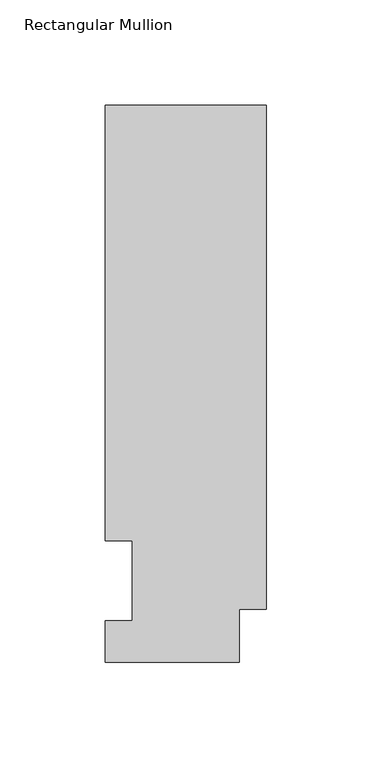
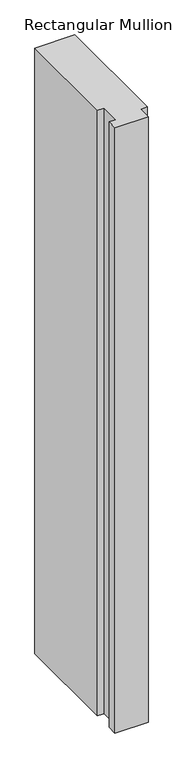
"""IFC4 building model written with IfcOpenShell, lengths in millimetres: member geometry, Rectangular Mullion."""

from ifc_helpers import new_model, si_unit, frame, origin, place, context, project, spatial, polyline, outline, extrude, source, transform, mapped, element, save


def rectangular_mullion_63044f50(model_context):
    return source(origin(), model_context, "Body", "SweptSolid", [
        extrude(outline(polyline([(-76.2, 264.0210938), (0.0, 264.0210938), (0.0, 25.0832937), (-12.7, 25.0832937), (-12.7, 0.0134938), (-76.2, 0.0134938), (-76.2, 19.5460937), (-63.5, 19.5460937), (-63.5, 57.6460937), (-76.2, 57.6460937), (-76.2, 264.0210938)])), frame((0.0, 0.0, -1219.2), z_axis=(0.0, 0.0, 1.0), x_axis=(1.0, 0.0, 0.0)), (0.0, 0.0, 1.0), 1219.2),
    ])


if __name__ == "__main__":
    model = new_model("IFC4")
    model_context = context("Model", 3, world=origin())
    ifc_project = project(units=[si_unit("LENGTHUNIT", "METRE", prefix="MILLI")], contexts=[model_context])
    site = spatial("IfcSite", under=ifc_project)
    building = spatial("IfcBuilding", under=site)
    placement = place(None, origin())
    rectangular_mullion_shape = rectangular_mullion_63044f50(model_context)
    element("IfcMember", 1, ObjectType="Rectangular Mullion", at=placement, inside=building, context=model_context, shape_type="MappedRepresentation", body=[
        mapped(rectangular_mullion_shape, transform((0.0, 0.0, 0.0), x_axis=(1.0, 0.0, 0.0), y_axis=(0.0, 1.0, 0.0), z_axis=(0.0, 0.0, 1.0))),
    ])
    save(model, "model.ifc")
